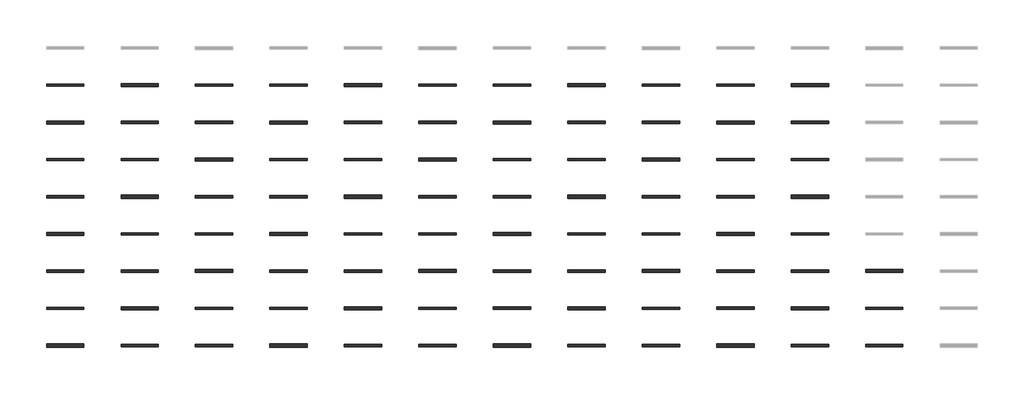
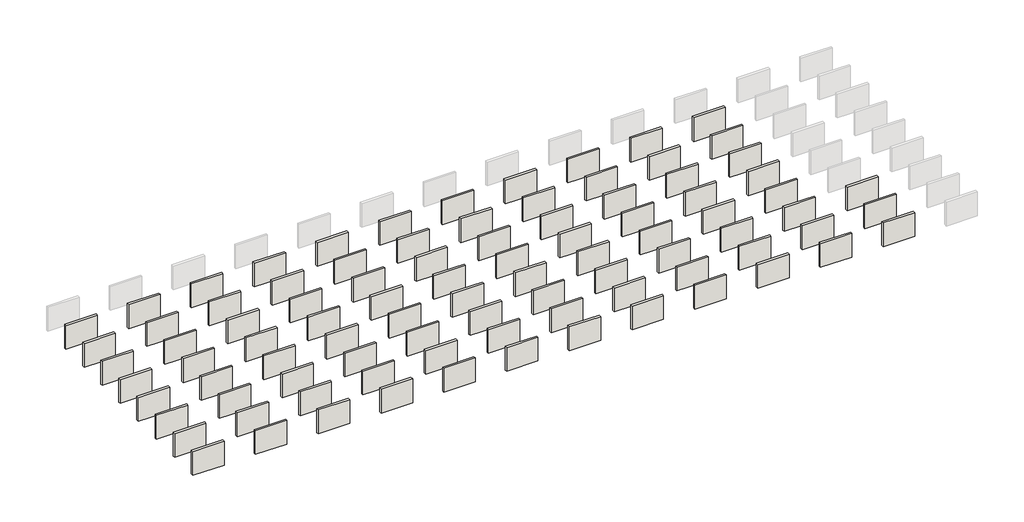
# One storey, part 1 of 3: 91 walls.
"""IFC4 building model written with IfcOpenShell, lengths in millimetres."""

from ifc_helpers import new_model, si_unit, origin, origin_with_axes, place, context, project, spatial, polyline, outline, extrude, element, save

model = new_model("IFC4")

# Units and contexts
model_context = context("Model", 3, world=origin())
ifc_project = project(units=[si_unit("LENGTHUNIT", "METRE", prefix="MILLI")], contexts=[model_context])

# Site, building, storey
site = spatial("IfcSite", under=ifc_project)
building = spatial("IfcBuilding", under=site)
storey = spatial("IfcBuildingStorey", under=building, Elevation=0.0)

# Walls
placement = place(None, origin())
element("IfcWall", 1, at=placement, inside=storey, context=model_context, shape_type="SweptSolid", body=[
    extrude(outline(polyline([(-23389.7977715, -1503.5068145), (-26437.7977715, -1503.5068145), (-26437.7977715, -1255.8060074), (-23389.7977715, -1255.8060074), (-23389.7977715, -1503.5068145)])), origin_with_axes(), (0.0, 0.0, 1.0), 2438.4),
])
element("IfcWall", 2, at=placement, inside=storey, context=model_context, shape_type="SweptSolid", body=[
    extrude(outline(polyline([(-17293.7977715, -1473.3443115), (-20341.7977715, -1473.3443115), (-20341.7977715, -1285.9685104), (-17293.7977715, -1285.9685104), (-17293.7977715, -1473.3443115)])), origin_with_axes(), (0.0, 0.0, 1.0), 2438.4),
])
element("IfcWall", 3, at=placement, inside=storey, context=model_context, shape_type="SweptSolid", body=[
    extrude(outline(polyline([(-11197.7977715, -1478.1068115), (-14245.7977715, -1478.1068115), (-14245.7977715, -1281.2060104), (-11197.7977715, -1281.2060104), (-11197.7977715, -1478.1068115)])), origin_with_axes(), (0.0, 0.0, 1.0), 2438.4),
])
element("IfcWall", 4, at=placement, inside=storey, context=model_context, shape_type="SweptSolid", body=[
    extrude(outline(polyline([(-5101.7977715, -1503.5068145), (-8149.7977715, -1503.5068145), (-8149.7977715, -1255.8060074), (-5101.7977715, -1255.8060074), (-5101.7977715, -1503.5068145)])), origin_with_axes(), (0.0, 0.0, 1.0), 2438.4),
])
element("IfcWall", 5, at=placement, inside=storey, context=model_context, shape_type="SweptSolid", body=[
    extrude(outline(polyline([(994.2022285, -1473.3443115), (-2053.7977715, -1473.3443115), (-2053.7977715, -1285.9685104), (994.2022285, -1285.9685104), (994.2022285, -1473.3443115)])), origin_with_axes(), (0.0, 0.0, 1.0), 2438.4),
])
element("IfcWall", 6, at=placement, inside=storey, context=model_context, shape_type="SweptSolid", body=[
    extrude(outline(polyline([(7090.2022285, -1478.1068115), (4042.2022285, -1478.1068115), (4042.2022285, -1281.2060104), (7090.2022285, -1281.2060104), (7090.2022285, -1478.1068115)])), origin_with_axes(), (0.0, 0.0, 1.0), 2438.4),
])
element("IfcWall", 7, at=placement, inside=storey, context=model_context, shape_type="SweptSolid", body=[
    extrude(outline(polyline([(13186.2022285, -1503.5068145), (10138.2022285, -1503.5068145), (10138.2022285, -1255.8060074), (13186.2022285, -1255.8060074), (13186.2022285, -1503.5068145)])), origin_with_axes(), (0.0, 0.0, 1.0), 2438.4),
])
element("IfcWall", 8, at=placement, inside=storey, context=model_context, shape_type="SweptSolid", body=[
    extrude(outline(polyline([(19282.2022285, -1473.3443115), (16234.2022285, -1473.3443115), (16234.2022285, -1285.9685104), (19282.2022285, -1285.9685104), (19282.2022285, -1473.3443115)])), origin_with_axes(), (0.0, 0.0, 1.0), 2438.4),
])
element("IfcWall", 9, at=placement, inside=storey, context=model_context, shape_type="SweptSolid", body=[
    extrude(outline(polyline([(25378.2022285, -1478.1068115), (22330.2022285, -1478.1068115), (22330.2022285, -1281.2060104), (25378.2022285, -1281.2060104), (25378.2022285, -1478.1068115)])), origin_with_axes(), (0.0, 0.0, 1.0), 2438.4),
])
element("IfcWall", 10, at=placement, inside=storey, context=model_context, shape_type="SweptSolid", body=[
    extrude(outline(polyline([(31474.2022285, -1503.5068145), (28426.2022285, -1503.5068145), (28426.2022285, -1255.8060074), (31474.2022285, -1255.8060074), (31474.2022285, -1503.5068145)])), origin_with_axes(), (0.0, 0.0, 1.0), 2438.4),
])
element("IfcWall", 11, at=placement, inside=storey, context=model_context, shape_type="SweptSolid", body=[
    extrude(outline(polyline([(-29485.7977715, -1478.1068115), (-32533.7977715, -1478.1068115), (-32533.7977715, -1281.2060104), (-29485.7977715, -1281.2060104), (-29485.7977715, -1478.1068115)])), origin_with_axes(), (0.0, 0.0, 1.0), 2438.4),
])
element("IfcWall", 12, at=placement, inside=storey, context=model_context, shape_type="SweptSolid", body=[
    extrude(outline(polyline([(-23389.7977715, -4521.3443115), (-26437.7977715, -4521.3443115), (-26437.7977715, -4333.9685104), (-23389.7977715, -4333.9685104), (-23389.7977715, -4521.3443115)])), origin_with_axes(), (0.0, 0.0, 1.0), 2438.4),
])
element("IfcWall", 13, at=placement, inside=storey, context=model_context, shape_type="SweptSolid", body=[
    extrude(outline(polyline([(-17293.7977715, -4526.1068115), (-20341.7977715, -4526.1068115), (-20341.7977715, -4329.2060104), (-17293.7977715, -4329.2060104), (-17293.7977715, -4526.1068115)])), origin_with_axes(), (0.0, 0.0, 1.0), 2438.4),
])
element("IfcWall", 14, at=placement, inside=storey, context=model_context, shape_type="SweptSolid", body=[
    extrude(outline(polyline([(-11197.7977715, -4551.5068145), (-14245.7977715, -4551.5068145), (-14245.7977715, -4303.8060074), (-11197.7977715, -4303.8060074), (-11197.7977715, -4551.5068145)])), origin_with_axes(), (0.0, 0.0, 1.0), 2438.4),
])
element("IfcWall", 15, at=placement, inside=storey, context=model_context, shape_type="SweptSolid", body=[
    extrude(outline(polyline([(-5101.7977715, -4521.3443115), (-8149.7977715, -4521.3443115), (-8149.7977715, -4333.9685104), (-5101.7977715, -4333.9685104), (-5101.7977715, -4521.3443115)])), origin_with_axes(), (0.0, 0.0, 1.0), 2438.4),
])
element("IfcWall", 16, at=placement, inside=storey, context=model_context, shape_type="SweptSolid", body=[
    extrude(outline(polyline([(994.2022285, -4526.1068115), (-2053.7977715, -4526.1068115), (-2053.7977715, -4329.2060104), (994.2022285, -4329.2060104), (994.2022285, -4526.1068115)])), origin_with_axes(), (0.0, 0.0, 1.0), 2438.4),
])
element("IfcWall", 17, at=placement, inside=storey, context=model_context, shape_type="SweptSolid", body=[
    extrude(outline(polyline([(7090.2022285, -4551.5068145), (4042.2022285, -4551.5068145), (4042.2022285, -4303.8060074), (7090.2022285, -4303.8060074), (7090.2022285, -4551.5068145)])), origin_with_axes(), (0.0, 0.0, 1.0), 2438.4),
])
element("IfcWall", 18, at=placement, inside=storey, context=model_context, shape_type="SweptSolid", body=[
    extrude(outline(polyline([(13186.2022285, -4521.3443115), (10138.2022285, -4521.3443115), (10138.2022285, -4333.9685104), (13186.2022285, -4333.9685104), (13186.2022285, -4521.3443115)])), origin_with_axes(), (0.0, 0.0, 1.0), 2438.4),
])
element("IfcWall", 19, at=placement, inside=storey, context=model_context, shape_type="SweptSolid", body=[
    extrude(outline(polyline([(19282.2022285, -4526.1068115), (16234.2022285, -4526.1068115), (16234.2022285, -4329.2060104), (19282.2022285, -4329.2060104), (19282.2022285, -4526.1068115)])), origin_with_axes(), (0.0, 0.0, 1.0), 2438.4),
])
element("IfcWall", 20, at=placement, inside=storey, context=model_context, shape_type="SweptSolid", body=[
    extrude(outline(polyline([(25378.2022285, -4551.5068145), (22330.2022285, -4551.5068145), (22330.2022285, -4303.8060074), (25378.2022285, -4303.8060074), (25378.2022285, -4551.5068145)])), origin_with_axes(), (0.0, 0.0, 1.0), 2438.4),
])
element("IfcWall", 21, at=placement, inside=storey, context=model_context, shape_type="SweptSolid", body=[
    extrude(outline(polyline([(31474.2022285, -4521.3443115), (28426.2022285, -4521.3443115), (28426.2022285, -4333.9685104), (31474.2022285, -4333.9685104), (31474.2022285, -4521.3443115)])), origin_with_axes(), (0.0, 0.0, 1.0), 2438.4),
])
element("IfcWall", 22, at=placement, inside=storey, context=model_context, shape_type="SweptSolid", body=[
    extrude(outline(polyline([(-29485.7977715, -4551.5068145), (-32533.7977715, -4551.5068145), (-32533.7977715, -4303.8060074), (-29485.7977715, -4303.8060074), (-29485.7977715, -4551.5068145)])), origin_with_axes(), (0.0, 0.0, 1.0), 2438.4),
])
element("IfcWall", 23, at=placement, inside=storey, context=model_context, shape_type="SweptSolid", body=[
    extrude(outline(polyline([(-23389.7977715, -7574.1068115), (-26437.7977715, -7574.1068115), (-26437.7977715, -7377.2060104), (-23389.7977715, -7377.2060104), (-23389.7977715, -7574.1068115)])), origin_with_axes(), (0.0, 0.0, 1.0), 2438.4),
])
element("IfcWall", 24, at=placement, inside=storey, context=model_context, shape_type="SweptSolid", body=[
    extrude(outline(polyline([(-17293.7977715, -7599.5068145), (-20341.7977715, -7599.5068145), (-20341.7977715, -7351.8060074), (-17293.7977715, -7351.8060074), (-17293.7977715, -7599.5068145)])), origin_with_axes(), (0.0, 0.0, 1.0), 2438.4),
])
element("IfcWall", 25, at=placement, inside=storey, context=model_context, shape_type="SweptSolid", body=[
    extrude(outline(polyline([(-11197.7977715, -7569.3443115), (-14245.7977715, -7569.3443115), (-14245.7977715, -7381.9685104), (-11197.7977715, -7381.9685104), (-11197.7977715, -7569.3443115)])), origin_with_axes(), (0.0, 0.0, 1.0), 2438.4),
])
element("IfcWall", 26, at=placement, inside=storey, context=model_context, shape_type="SweptSolid", body=[
    extrude(outline(polyline([(-5101.7977715, -7574.1068115), (-8149.7977715, -7574.1068115), (-8149.7977715, -7377.2060104), (-5101.7977715, -7377.2060104), (-5101.7977715, -7574.1068115)])), origin_with_axes(), (0.0, 0.0, 1.0), 2438.4),
])
element("IfcWall", 27, at=placement, inside=storey, context=model_context, shape_type="SweptSolid", body=[
    extrude(outline(polyline([(994.2022285, -7599.5068145), (-2053.7977715, -7599.5068145), (-2053.7977715, -7351.8060074), (994.2022285, -7351.8060074), (994.2022285, -7599.5068145)])), origin_with_axes(), (0.0, 0.0, 1.0), 2438.4),
])
element("IfcWall", 28, at=placement, inside=storey, context=model_context, shape_type="SweptSolid", body=[
    extrude(outline(polyline([(7090.2022285, -7569.3443115), (4042.2022285, -7569.3443115), (4042.2022285, -7381.9685104), (7090.2022285, -7381.9685104), (7090.2022285, -7569.3443115)])), origin_with_axes(), (0.0, 0.0, 1.0), 2438.4),
])
element("IfcWall", 29, at=placement, inside=storey, context=model_context, shape_type="SweptSolid", body=[
    extrude(outline(polyline([(13186.2022285, -7574.1068115), (10138.2022285, -7574.1068115), (10138.2022285, -7377.2060104), (13186.2022285, -7377.2060104), (13186.2022285, -7574.1068115)])), origin_with_axes(), (0.0, 0.0, 1.0), 2438.4),
])
element("IfcWall", 30, at=placement, inside=storey, context=model_context, shape_type="SweptSolid", body=[
    extrude(outline(polyline([(19282.2022285, -7599.5068145), (16234.2022285, -7599.5068145), (16234.2022285, -7351.8060074), (19282.2022285, -7351.8060074), (19282.2022285, -7599.5068145)])), origin_with_axes(), (0.0, 0.0, 1.0), 2438.4),
])
element("IfcWall", 31, at=placement, inside=storey, context=model_context, shape_type="SweptSolid", body=[
    extrude(outline(polyline([(25378.2022285, -7569.3443115), (22330.2022285, -7569.3443115), (22330.2022285, -7381.9685104), (25378.2022285, -7381.9685104), (25378.2022285, -7569.3443115)])), origin_with_axes(), (0.0, 0.0, 1.0), 2438.4),
])
element("IfcWall", 32, at=placement, inside=storey, context=model_context, shape_type="SweptSolid", body=[
    extrude(outline(polyline([(31474.2022285, -7574.1068115), (28426.2022285, -7574.1068115), (28426.2022285, -7377.2060104), (31474.2022285, -7377.2060104), (31474.2022285, -7574.1068115)])), origin_with_axes(), (0.0, 0.0, 1.0), 2438.4),
])
element("IfcWall", 33, at=placement, inside=storey, context=model_context, shape_type="SweptSolid", body=[
    extrude(outline(polyline([(-29485.7977715, -7569.3443115), (-32533.7977715, -7569.3443115), (-32533.7977715, -7381.9685104), (-29485.7977715, -7381.9685104), (-29485.7977715, -7569.3443115)])), origin_with_axes(), (0.0, 0.0, 1.0), 2438.4),
])
element("IfcWall", 34, at=placement, inside=storey, context=model_context, shape_type="SweptSolid", body=[
    extrude(outline(polyline([(-23389.7977715, -10647.5068145), (-26437.7977715, -10647.5068145), (-26437.7977715, -10399.8060074), (-23389.7977715, -10399.8060074), (-23389.7977715, -10647.5068145)])), origin_with_axes(), (0.0, 0.0, 1.0), 2438.4),
])
element("IfcWall", 35, at=placement, inside=storey, context=model_context, shape_type="SweptSolid", body=[
    extrude(outline(polyline([(-17293.7977715, -10617.3443115), (-20341.7977715, -10617.3443115), (-20341.7977715, -10429.9685104), (-17293.7977715, -10429.9685104), (-17293.7977715, -10617.3443115)])), origin_with_axes(), (0.0, 0.0, 1.0), 2438.4),
])
element("IfcWall", 36, at=placement, inside=storey, context=model_context, shape_type="SweptSolid", body=[
    extrude(outline(polyline([(-11197.7977715, -10622.1068115), (-14245.7977715, -10622.1068115), (-14245.7977715, -10425.2060104), (-11197.7977715, -10425.2060104), (-11197.7977715, -10622.1068115)])), origin_with_axes(), (0.0, 0.0, 1.0), 2438.4),
])
element("IfcWall", 37, at=placement, inside=storey, context=model_context, shape_type="SweptSolid", body=[
    extrude(outline(polyline([(-5101.7977715, -10647.5068145), (-8149.7977715, -10647.5068145), (-8149.7977715, -10399.8060074), (-5101.7977715, -10399.8060074), (-5101.7977715, -10647.5068145)])), origin_with_axes(), (0.0, 0.0, 1.0), 2438.4),
])
element("IfcWall", 38, at=placement, inside=storey, context=model_context, shape_type="SweptSolid", body=[
    extrude(outline(polyline([(994.2022285, -10617.3443115), (-2053.7977715, -10617.3443115), (-2053.7977715, -10429.9685104), (994.2022285, -10429.9685104), (994.2022285, -10617.3443115)])), origin_with_axes(), (0.0, 0.0, 1.0), 2438.4),
])
element("IfcWall", 39, at=placement, inside=storey, context=model_context, shape_type="SweptSolid", body=[
    extrude(outline(polyline([(7090.2022285, -10622.1068115), (4042.2022285, -10622.1068115), (4042.2022285, -10425.2060104), (7090.2022285, -10425.2060104), (7090.2022285, -10622.1068115)])), origin_with_axes(), (0.0, 0.0, 1.0), 2438.4),
])
element("IfcWall", 40, at=placement, inside=storey, context=model_context, shape_type="SweptSolid", body=[
    extrude(outline(polyline([(13186.2022285, -10647.5068145), (10138.2022285, -10647.5068145), (10138.2022285, -10399.8060074), (13186.2022285, -10399.8060074), (13186.2022285, -10647.5068145)])), origin_with_axes(), (0.0, 0.0, 1.0), 2438.4),
])
element("IfcWall", 41, at=placement, inside=storey, context=model_context, shape_type="SweptSolid", body=[
    extrude(outline(polyline([(19282.2022285, -10617.3443115), (16234.2022285, -10617.3443115), (16234.2022285, -10429.9685104), (19282.2022285, -10429.9685104), (19282.2022285, -10617.3443115)])), origin_with_axes(), (0.0, 0.0, 1.0), 2438.4),
])
element("IfcWall", 42, at=placement, inside=storey, context=model_context, shape_type="SweptSolid", body=[
    extrude(outline(polyline([(25378.2022285, -10622.1068115), (22330.2022285, -10622.1068115), (22330.2022285, -10425.2060104), (25378.2022285, -10425.2060104), (25378.2022285, -10622.1068115)])), origin_with_axes(), (0.0, 0.0, 1.0), 2438.4),
])
element("IfcWall", 43, at=placement, inside=storey, context=model_context, shape_type="SweptSolid", body=[
    extrude(outline(polyline([(31474.2022285, -10647.5068145), (28426.2022285, -10647.5068145), (28426.2022285, -10399.8060074), (31474.2022285, -10399.8060074), (31474.2022285, -10647.5068145)])), origin_with_axes(), (0.0, 0.0, 1.0), 2438.4),
])
element("IfcWall", 44, at=placement, inside=storey, context=model_context, shape_type="SweptSolid", body=[
    extrude(outline(polyline([(-29485.7977715, -10622.1068115), (-32533.7977715, -10622.1068115), (-32533.7977715, -10425.2060104), (-29485.7977715, -10425.2060104), (-29485.7977715, -10622.1068115)])), origin_with_axes(), (0.0, 0.0, 1.0), 2438.4),
])
element("IfcWall", 45, at=placement, inside=storey, context=model_context, shape_type="SweptSolid", body=[
    extrude(outline(polyline([(-23389.7977715, -13665.3443115), (-26437.7977715, -13665.3443115), (-26437.7977715, -13477.9685104), (-23389.7977715, -13477.9685104), (-23389.7977715, -13665.3443115)])), origin_with_axes(), (0.0, 0.0, 1.0), 2438.4),
])
element("IfcWall", 46, at=placement, inside=storey, context=model_context, shape_type="SweptSolid", body=[
    extrude(outline(polyline([(-17293.7977715, -13670.1068115), (-20341.7977715, -13670.1068115), (-20341.7977715, -13473.2060104), (-17293.7977715, -13473.2060104), (-17293.7977715, -13670.1068115)])), origin_with_axes(), (0.0, 0.0, 1.0), 2438.4),
])
element("IfcWall", 47, at=placement, inside=storey, context=model_context, shape_type="SweptSolid", body=[
    extrude(outline(polyline([(-11197.7977715, -13695.5068145), (-14245.7977715, -13695.5068145), (-14245.7977715, -13447.8060074), (-11197.7977715, -13447.8060074), (-11197.7977715, -13695.5068145)])), origin_with_axes(), (0.0, 0.0, 1.0), 2438.4),
])
element("IfcWall", 48, at=placement, inside=storey, context=model_context, shape_type="SweptSolid", body=[
    extrude(outline(polyline([(-5101.7977715, -13665.3443115), (-8149.7977715, -13665.3443115), (-8149.7977715, -13477.9685104), (-5101.7977715, -13477.9685104), (-5101.7977715, -13665.3443115)])), origin_with_axes(), (0.0, 0.0, 1.0), 2438.4),
])
element("IfcWall", 49, at=placement, inside=storey, context=model_context, shape_type="SweptSolid", body=[
    extrude(outline(polyline([(994.2022285, -13670.1068115), (-2053.7977715, -13670.1068115), (-2053.7977715, -13473.2060104), (994.2022285, -13473.2060104), (994.2022285, -13670.1068115)])), origin_with_axes(), (0.0, 0.0, 1.0), 2438.4),
])
element("IfcWall", 50, at=placement, inside=storey, context=model_context, shape_type="SweptSolid", body=[
    extrude(outline(polyline([(7090.2022285, -13695.5068145), (4042.2022285, -13695.5068145), (4042.2022285, -13447.8060074), (7090.2022285, -13447.8060074), (7090.2022285, -13695.5068145)])), origin_with_axes(), (0.0, 0.0, 1.0), 2438.4),
])
element("IfcWall", 51, at=placement, inside=storey, context=model_context, shape_type="SweptSolid", body=[
    extrude(outline(polyline([(13186.2022285, -13665.3443115), (10138.2022285, -13665.3443115), (10138.2022285, -13477.9685104), (13186.2022285, -13477.9685104), (13186.2022285, -13665.3443115)])), origin_with_axes(), (0.0, 0.0, 1.0), 2438.4),
])
element("IfcWall", 52, at=placement, inside=storey, context=model_context, shape_type="SweptSolid", body=[
    extrude(outline(polyline([(19282.2022285, -13670.1068115), (16234.2022285, -13670.1068115), (16234.2022285, -13473.2060104), (19282.2022285, -13473.2060104), (19282.2022285, -13670.1068115)])), origin_with_axes(), (0.0, 0.0, 1.0), 2438.4),
])
element("IfcWall", 53, at=placement, inside=storey, context=model_context, shape_type="SweptSolid", body=[
    extrude(outline(polyline([(25378.2022285, -13695.5068145), (22330.2022285, -13695.5068145), (22330.2022285, -13447.8060074), (25378.2022285, -13447.8060074), (25378.2022285, -13695.5068145)])), origin_with_axes(), (0.0, 0.0, 1.0), 2438.4),
])
element("IfcWall", 54, at=placement, inside=storey, context=model_context, shape_type="SweptSolid", body=[
    extrude(outline(polyline([(31474.2022285, -13665.3443115), (28426.2022285, -13665.3443115), (28426.2022285, -13477.9685104), (31474.2022285, -13477.9685104), (31474.2022285, -13665.3443115)])), origin_with_axes(), (0.0, 0.0, 1.0), 2438.4),
])
element("IfcWall", 55, at=placement, inside=storey, context=model_context, shape_type="SweptSolid", body=[
    extrude(outline(polyline([(-29485.7977715, -13695.5068145), (-32533.7977715, -13695.5068145), (-32533.7977715, -13447.8060074), (-29485.7977715, -13447.8060074), (-29485.7977715, -13695.5068145)])), origin_with_axes(), (0.0, 0.0, 1.0), 2438.4),
])
element("IfcWall", 56, at=placement, inside=storey, context=model_context, shape_type="SweptSolid", body=[
    extrude(outline(polyline([(-23389.7977715, -16718.1068115), (-26437.7977715, -16718.1068115), (-26437.7977715, -16521.2060104), (-23389.7977715, -16521.2060104), (-23389.7977715, -16718.1068115)])), origin_with_axes(), (0.0, 0.0, 1.0), 2438.4),
])
element("IfcWall", 57, at=placement, inside=storey, context=model_context, shape_type="SweptSolid", body=[
    extrude(outline(polyline([(-17293.7977715, -16743.5068145), (-20341.7977715, -16743.5068145), (-20341.7977715, -16495.8060074), (-17293.7977715, -16495.8060074), (-17293.7977715, -16743.5068145)])), origin_with_axes(), (0.0, 0.0, 1.0), 2438.4),
])
element("IfcWall", 58, at=placement, inside=storey, context=model_context, shape_type="SweptSolid", body=[
    extrude(outline(polyline([(-11197.7977715, -16713.3443115), (-14245.7977715, -16713.3443115), (-14245.7977715, -16525.9685104), (-11197.7977715, -16525.9685104), (-11197.7977715, -16713.3443115)])), origin_with_axes(), (0.0, 0.0, 1.0), 2438.4),
])
element("IfcWall", 59, at=placement, inside=storey, context=model_context, shape_type="SweptSolid", body=[
    extrude(outline(polyline([(-5101.7977715, -16718.1068115), (-8149.7977715, -16718.1068115), (-8149.7977715, -16521.2060104), (-5101.7977715, -16521.2060104), (-5101.7977715, -16718.1068115)])), origin_with_axes(), (0.0, 0.0, 1.0), 2438.4),
])
element("IfcWall", 60, at=placement, inside=storey, context=model_context, shape_type="SweptSolid", body=[
    extrude(outline(polyline([(994.2022285, -16743.5068145), (-2053.7977715, -16743.5068145), (-2053.7977715, -16495.8060074), (994.2022285, -16495.8060074), (994.2022285, -16743.5068145)])), origin_with_axes(), (0.0, 0.0, 1.0), 2438.4),
])
element("IfcWall", 61, at=placement, inside=storey, context=model_context, shape_type="SweptSolid", body=[
    extrude(outline(polyline([(7090.2022285, -16713.3443115), (4042.2022285, -16713.3443115), (4042.2022285, -16525.9685104), (7090.2022285, -16525.9685104), (7090.2022285, -16713.3443115)])), origin_with_axes(), (0.0, 0.0, 1.0), 2438.4),
])
element("IfcWall", 62, at=placement, inside=storey, context=model_context, shape_type="SweptSolid", body=[
    extrude(outline(polyline([(13186.2022285, -16718.1068115), (10138.2022285, -16718.1068115), (10138.2022285, -16521.2060104), (13186.2022285, -16521.2060104), (13186.2022285, -16718.1068115)])), origin_with_axes(), (0.0, 0.0, 1.0), 2438.4),
])
element("IfcWall", 63, at=placement, inside=storey, context=model_context, shape_type="SweptSolid", body=[
    extrude(outline(polyline([(19282.2022285, -16743.5068145), (16234.2022285, -16743.5068145), (16234.2022285, -16495.8060074), (19282.2022285, -16495.8060074), (19282.2022285, -16743.5068145)])), origin_with_axes(), (0.0, 0.0, 1.0), 2438.4),
])
element("IfcWall", 64, at=placement, inside=storey, context=model_context, shape_type="SweptSolid", body=[
    extrude(outline(polyline([(25378.2022285, -16713.3443115), (22330.2022285, -16713.3443115), (22330.2022285, -16525.9685104), (25378.2022285, -16525.9685104), (25378.2022285, -16713.3443115)])), origin_with_axes(), (0.0, 0.0, 1.0), 2438.4),
])
element("IfcWall", 65, at=placement, inside=storey, context=model_context, shape_type="SweptSolid", body=[
    extrude(outline(polyline([(31474.2022285, -16718.1068115), (28426.2022285, -16718.1068115), (28426.2022285, -16521.2060104), (31474.2022285, -16521.2060104), (31474.2022285, -16718.1068115)])), origin_with_axes(), (0.0, 0.0, 1.0), 2438.4),
])
element("IfcWall", 66, at=placement, inside=storey, context=model_context, shape_type="SweptSolid", body=[
    extrude(outline(polyline([(37570.2022285, -16743.5068145), (34522.2022285, -16743.5068145), (34522.2022285, -16495.8060074), (37570.2022285, -16495.8060074), (37570.2022285, -16743.5068145)])), origin_with_axes(), (0.0, 0.0, 1.0), 2438.4),
])
element("IfcWall", 67, at=placement, inside=storey, context=model_context, shape_type="SweptSolid", body=[
    extrude(outline(polyline([(-29485.7977715, -16713.3443115), (-32533.7977715, -16713.3443115), (-32533.7977715, -16525.9685104), (-29485.7977715, -16525.9685104), (-29485.7977715, -16713.3443115)])), origin_with_axes(), (0.0, 0.0, 1.0), 2438.4),
])
element("IfcWall", 68, at=placement, inside=storey, context=model_context, shape_type="SweptSolid", body=[
    extrude(outline(polyline([(-23389.7977715, -19791.5068145), (-26437.7977715, -19791.5068145), (-26437.7977715, -19543.8060074), (-23389.7977715, -19543.8060074), (-23389.7977715, -19791.5068145)])), origin_with_axes(), (0.0, 0.0, 1.0), 2438.4),
])
element("IfcWall", 69, at=placement, inside=storey, context=model_context, shape_type="SweptSolid", body=[
    extrude(outline(polyline([(-17293.7977715, -19761.3443115), (-20341.7977715, -19761.3443115), (-20341.7977715, -19573.9685104), (-17293.7977715, -19573.9685104), (-17293.7977715, -19761.3443115)])), origin_with_axes(), (0.0, 0.0, 1.0), 2438.4),
])
element("IfcWall", 70, at=placement, inside=storey, context=model_context, shape_type="SweptSolid", body=[
    extrude(outline(polyline([(-11197.7977715, -19766.1068115), (-14245.7977715, -19766.1068115), (-14245.7977715, -19569.2060104), (-11197.7977715, -19569.2060104), (-11197.7977715, -19766.1068115)])), origin_with_axes(), (0.0, 0.0, 1.0), 2438.4),
])
element("IfcWall", 71, at=placement, inside=storey, context=model_context, shape_type="SweptSolid", body=[
    extrude(outline(polyline([(-5101.7977715, -19791.5068145), (-8149.7977715, -19791.5068145), (-8149.7977715, -19543.8060074), (-5101.7977715, -19543.8060074), (-5101.7977715, -19791.5068145)])), origin_with_axes(), (0.0, 0.0, 1.0), 2438.4),
])
element("IfcWall", 72, at=placement, inside=storey, context=model_context, shape_type="SweptSolid", body=[
    extrude(outline(polyline([(994.2022285, -19766.1068116), (-2053.7977715, -19766.1068116), (-2053.7977715, -19569.2060103), (994.2022285, -19569.2060103), (994.2022285, -19766.1068116)])), origin_with_axes(), (0.0, 0.0, 1.0), 2438.4),
])
element("IfcWall", 73, at=placement, inside=storey, context=model_context, shape_type="SweptSolid", body=[
    extrude(outline(polyline([(7090.2022285, -19770.8693116), (4042.2022285, -19770.8693116), (4042.2022285, -19564.4435103), (7090.2022285, -19564.4435103), (7090.2022285, -19770.8693116)])), origin_with_axes(), (0.0, 0.0, 1.0), 2438.4),
])
element("IfcWall", 74, at=placement, inside=storey, context=model_context, shape_type="SweptSolid", body=[
    extrude(outline(polyline([(13186.2022285, -19796.2693147), (10138.2022285, -19796.2693147), (10138.2022285, -19539.0435073), (13186.2022285, -19539.0435073), (13186.2022285, -19796.2693147)])), origin_with_axes(), (0.0, 0.0, 1.0), 2438.4),
])
element("IfcWall", 75, at=placement, inside=storey, context=model_context, shape_type="SweptSolid", body=[
    extrude(outline(polyline([(19282.2022285, -19766.1068116), (16234.2022285, -19766.1068116), (16234.2022285, -19569.2060103), (19282.2022285, -19569.2060103), (19282.2022285, -19766.1068116)])), origin_with_axes(), (0.0, 0.0, 1.0), 2438.4),
])
element("IfcWall", 76, at=placement, inside=storey, context=model_context, shape_type="SweptSolid", body=[
    extrude(outline(polyline([(25378.2022285, -19770.8693116), (22330.2022285, -19770.8693116), (22330.2022285, -19564.4435103), (25378.2022285, -19564.4435103), (25378.2022285, -19770.8693116)])), origin_with_axes(), (0.0, 0.0, 1.0), 2438.4),
])
element("IfcWall", 77, at=placement, inside=storey, context=model_context, shape_type="SweptSolid", body=[
    extrude(outline(polyline([(31474.2022285, -19796.2693147), (28426.2022285, -19796.2693147), (28426.2022285, -19539.0435073), (31474.2022285, -19539.0435073), (31474.2022285, -19796.2693147)])), origin_with_axes(), (0.0, 0.0, 1.0), 2438.4),
])
element("IfcWall", 78, at=placement, inside=storey, context=model_context, shape_type="SweptSolid", body=[
    extrude(outline(polyline([(37570.2022285, -19766.1068116), (34522.2022285, -19766.1068116), (34522.2022285, -19569.2060103), (37570.2022285, -19569.2060103), (37570.2022285, -19766.1068116)])), origin_with_axes(), (0.0, 0.0, 1.0), 2438.4),
])
element("IfcWall", 79, at=placement, inside=storey, context=model_context, shape_type="SweptSolid", body=[
    extrude(outline(polyline([(-29485.7977715, -19766.1068115), (-32533.7977715, -19766.1068115), (-32533.7977715, -19569.2060104), (-29485.7977715, -19569.2060104), (-29485.7977715, -19766.1068115)])), origin_with_axes(), (0.0, 0.0, 1.0), 2438.4),
])
element("IfcWall", 80, at=placement, inside=storey, context=model_context, shape_type="SweptSolid", body=[
    extrude(outline(polyline([(-23389.7977715, -22814.1068116), (-26437.7977715, -22814.1068116), (-26437.7977715, -22617.2060103), (-23389.7977715, -22617.2060103), (-23389.7977715, -22814.1068116)])), origin_with_axes(), (0.0, 0.0, 1.0), 2438.4),
])
element("IfcWall", 81, at=placement, inside=storey, context=model_context, shape_type="SweptSolid", body=[
    extrude(outline(polyline([(-17293.7977715, -22818.8693116), (-20341.7977715, -22818.8693116), (-20341.7977715, -22612.4435103), (-17293.7977715, -22612.4435103), (-17293.7977715, -22818.8693116)])), origin_with_axes(), (0.0, 0.0, 1.0), 2438.4),
])
element("IfcWall", 82, at=placement, inside=storey, context=model_context, shape_type="SweptSolid", body=[
    extrude(outline(polyline([(-11197.7977715, -22844.2693147), (-14245.7977715, -22844.2693147), (-14245.7977715, -22587.0435073), (-11197.7977715, -22587.0435073), (-11197.7977715, -22844.2693147)])), origin_with_axes(), (0.0, 0.0, 1.0), 2438.4),
])
element("IfcWall", 83, at=placement, inside=storey, context=model_context, shape_type="SweptSolid", body=[
    extrude(outline(polyline([(-5101.7977715, -22814.1068116), (-8149.7977715, -22814.1068116), (-8149.7977715, -22617.2060103), (-5101.7977715, -22617.2060103), (-5101.7977715, -22814.1068116)])), origin_with_axes(), (0.0, 0.0, 1.0), 2438.4),
])
element("IfcWall", 84, at=placement, inside=storey, context=model_context, shape_type="SweptSolid", body=[
    extrude(outline(polyline([(994.2022285, -22818.8693116), (-2053.7977715, -22818.8693116), (-2053.7977715, -22612.4435103), (994.2022285, -22612.4435103), (994.2022285, -22818.8693116)])), origin_with_axes(), (0.0, 0.0, 1.0), 2438.4),
])
element("IfcWall", 85, at=placement, inside=storey, context=model_context, shape_type="SweptSolid", body=[
    extrude(outline(polyline([(7090.2022285, -22844.2693147), (4042.2022285, -22844.2693147), (4042.2022285, -22587.0435073), (7090.2022285, -22587.0435073), (7090.2022285, -22844.2693147)])), origin_with_axes(), (0.0, 0.0, 1.0), 2438.4),
])
element("IfcWall", 86, at=placement, inside=storey, context=model_context, shape_type="SweptSolid", body=[
    extrude(outline(polyline([(13186.2022285, -22814.1068116), (10138.2022285, -22814.1068116), (10138.2022285, -22617.2060103), (13186.2022285, -22617.2060103), (13186.2022285, -22814.1068116)])), origin_with_axes(), (0.0, 0.0, 1.0), 2438.4),
])
element("IfcWall", 87, at=placement, inside=storey, context=model_context, shape_type="SweptSolid", body=[
    extrude(outline(polyline([(19282.2022285, -22818.8693116), (16234.2022285, -22818.8693116), (16234.2022285, -22612.4435103), (19282.2022285, -22612.4435103), (19282.2022285, -22818.8693116)])), origin_with_axes(), (0.0, 0.0, 1.0), 2438.4),
])
element("IfcWall", 88, at=placement, inside=storey, context=model_context, shape_type="SweptSolid", body=[
    extrude(outline(polyline([(25378.2022285, -22844.2693147), (22330.2022285, -22844.2693147), (22330.2022285, -22587.0435073), (25378.2022285, -22587.0435073), (25378.2022285, -22844.2693147)])), origin_with_axes(), (0.0, 0.0, 1.0), 2438.4),
])
element("IfcWall", 89, at=placement, inside=storey, context=model_context, shape_type="SweptSolid", body=[
    extrude(outline(polyline([(31474.2022285, -22814.1068116), (28426.2022285, -22814.1068116), (28426.2022285, -22617.2060103), (31474.2022285, -22617.2060103), (31474.2022285, -22814.1068116)])), origin_with_axes(), (0.0, 0.0, 1.0), 2438.4),
])
element("IfcWall", 90, at=placement, inside=storey, context=model_context, shape_type="SweptSolid", body=[
    extrude(outline(polyline([(37570.2022285, -22818.8693116), (34522.2022285, -22818.8693116), (34522.2022285, -22612.4435103), (37570.2022285, -22612.4435103), (37570.2022285, -22818.8693116)])), origin_with_axes(), (0.0, 0.0, 1.0), 2438.4),
])
element("IfcWall", 91, at=placement, inside=storey, context=model_context, shape_type="SweptSolid", body=[
    extrude(outline(polyline([(-29485.7977715, -22844.2693147), (-32533.7977715, -22844.2693147), (-32533.7977715, -22587.0435073), (-29485.7977715, -22587.0435073), (-29485.7977715, -22844.2693147)])), origin_with_axes(), (0.0, 0.0, 1.0), 2438.4),
])

save(model, "model.ifc")
